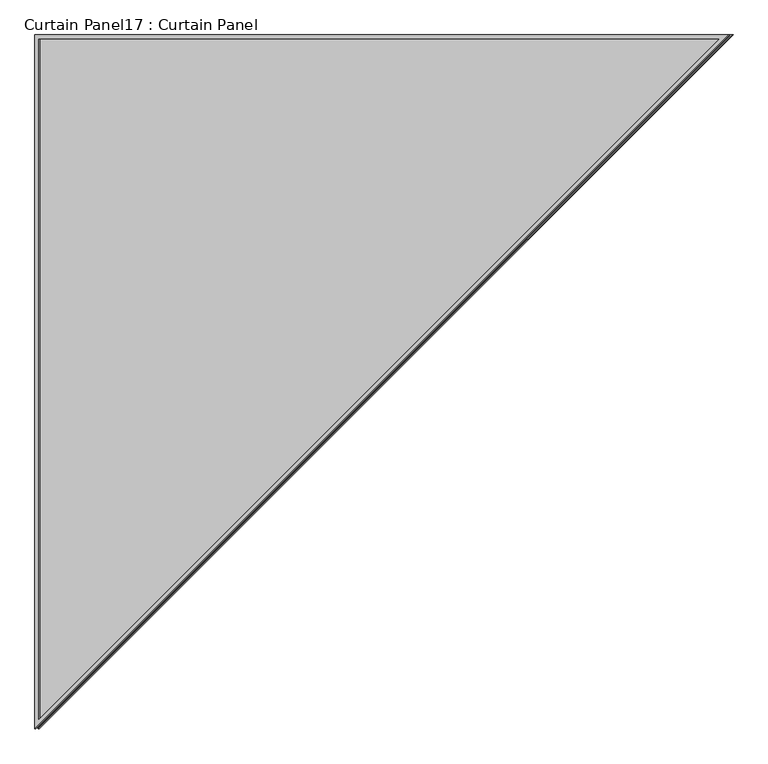
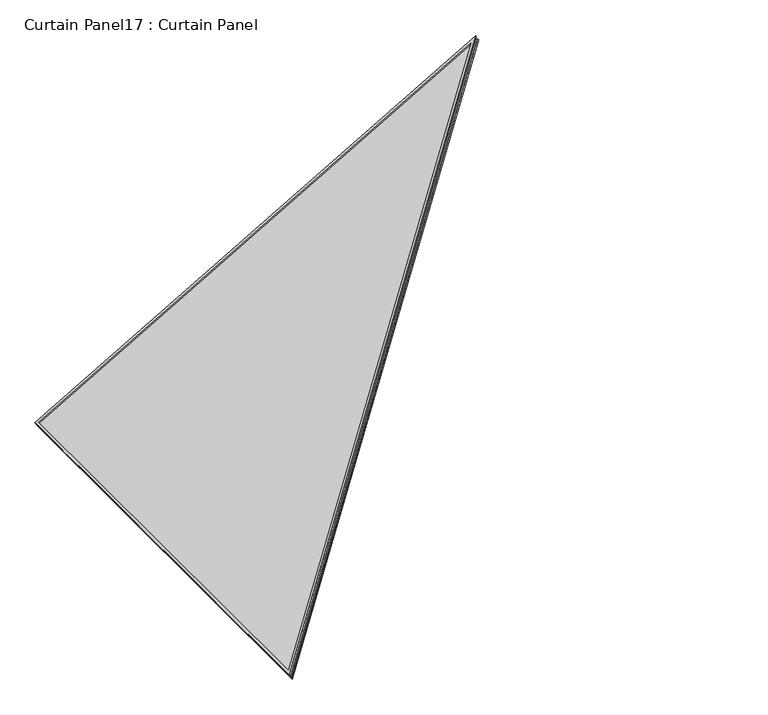
"""IFC4 building model written with IfcOpenShell, lengths in millimetres: plate geometry, Curtain Panel17 : Curtain Panel."""

from ifc_helpers import new_model, si_unit, frame, origin, place, context, project, spatial, polyline, outline, extrude, source, transform, mapped, element, save


def curtain_panel17_curtain_panel_89d1cf99(model_context):
    return source(origin(), model_context, "Body", "SweptSolid", [
        extrude(outline(polyline([(2694.660357, -1e-07), (1539.8059183, -1333.5110422), (0.0, 0.0), (2694.660357, -1e-07)]), holes=[polyline([(2670.336194, -11.1125001), (29.8062338, -11.1125), (1538.6804969, -1317.8359429), (2670.336194, -11.1125001)])]), frame((11685.3588863, 10730.4522743, 1006.7344216), z_axis=(-0.5000000000000064, 0.0, 0.866025403784435), x_axis=(-0.6546536707079782, -0.6546536707079765, -0.37796447300922653)), (0.0, 0.0, 1.0), 4.9499747),
        extrude(outline(polyline([(2694.660357, 0.0), (1539.8059183, -1333.5110422), (0.0, 0.0), (2694.660357, 0.0)]), holes=[polyline([(2670.336194, -11.1125), (29.8062338, -11.1125), (1538.6804968, -1317.8359428), (2670.336194, -11.1125)])]), frame((11694.1033222, 10730.4522743, 991.5886143), z_axis=(-0.5000000000000009, 0.0, 0.8660254037844382), x_axis=(-0.6546536707079782, -0.6546536707079766, -0.3779644730092263)), (0.0, 0.0, 1.0), 4.7625),
        extrude(outline(polyline([(56.7329004, 0.0), (1816.1, 0.0), (1816.1, -2031.5421371), (56.7329004, 0.0)])), frame((9927.6819818, 8912.3279755, -22.8234037), z_axis=(-0.49999999999999867, 0.0, 0.8660254037844395), x_axis=(0.0, 1.0, 0.0)), (0.0, 0.0, 1.0), 12.7847792),
    ])


if __name__ == "__main__":
    model = new_model("IFC4")
    model_context = context("Model", 3, world=origin())
    ifc_project = project(units=[si_unit("LENGTHUNIT", "METRE", prefix="MILLI")], contexts=[model_context])
    site = spatial("IfcSite", under=ifc_project)
    building = spatial("IfcBuilding", under=site)
    placement = place(None, origin())
    curtain_panel17_curtain_panel_shape = curtain_panel17_curtain_panel_89d1cf99(model_context)
    element("IfcPlate", 1, ObjectType="Curtain Panel17 : Curtain Panel", at=placement, inside=building, context=model_context, shape_type="MappedRepresentation", body=[
        mapped(curtain_panel17_curtain_panel_shape, transform((0.0, 0.0, 0.0), x_axis=(1.0, 0.0, 0.0), y_axis=(0.0, 1.0, 0.0), z_axis=(0.0, 0.0, 1.0))),
    ])
    save(model, "model.ifc")
